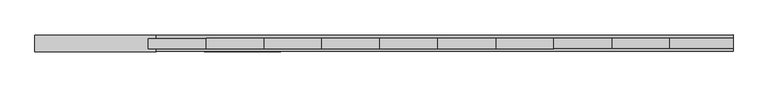
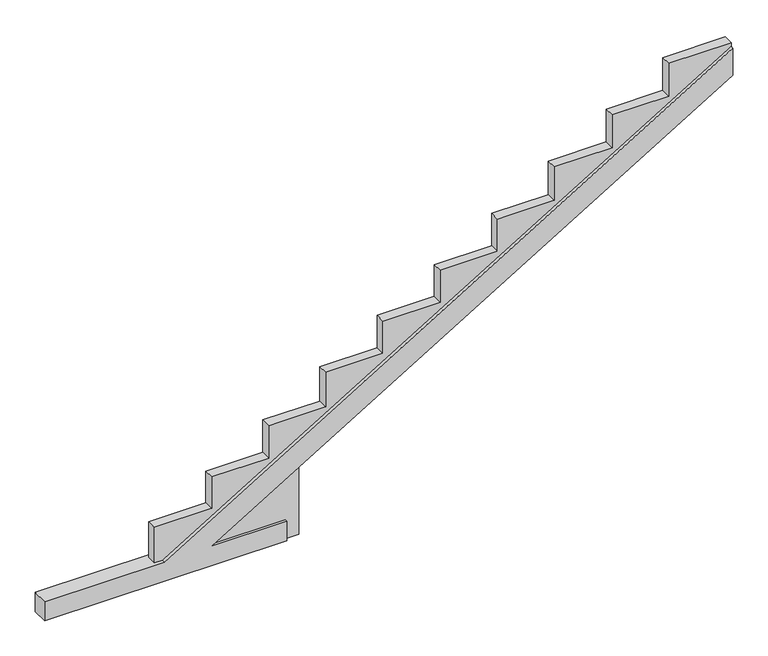
"""IFC4 building model written with IfcOpenShell, lengths in millimetres: beam geometry."""

from ifc_helpers import new_model, si_unit, origin, place, context, project, spatial, faceted_brep, source, transform, mapped, element, save


def beam_937d8002(model_context):
    return source(origin(), model_context, "Body", "Brep", [
        faceted_brep([(116653.6075541, 85898.5286699, -259.125), (116653.6075541, 85898.5286699, -21.849136), (115773.3392338, 85898.1474183, -21.849136), (121843.7431315, 85900.7765612, 3648.1234509), (121843.7431315, 85900.7765612, 3980.5418954), (115223.4947396, 85897.909276, -21.849136), (113832.5688043, 85897.3068543, -21.849136), (113832.5688043, 85897.3068543, -259.125), (116653.5253284, 86088.3787737, -259.125), (113832.4865786, 86087.1569582, -259.125), (113832.4865786, 86087.1569582, -21.849136), (115223.4125139, 86087.7593799, -21.849136), (121843.6609058, 86090.6266651, 3980.5418954), (121843.6609058, 86090.6266651, 3648.1234509), (115773.2570081, 86087.9975221, -21.849136), (116653.5253284, 86088.3787737, -21.849136), (116653.5417405, 86050.485082, -259.125), (116809.3879666, 86050.5525803, -259.125), (116809.4386986, 85933.4179511, -259.125), (116653.5924725, 85933.3504528, -259.125), (113832.5537227, 85932.1286372, -21.849136), (113832.5029907, 86049.2632664, -21.849136), (115223.479658, 85932.7310589, -21.849136), (115131.4917806, 85932.6912182, -21.849136), (115131.4410486, 86049.8258474, -21.849136), (115223.428926, 86049.8656881, -21.849136), (121843.7280499, 85935.5983441, 3980.5418954), (121843.6773179, 86052.7329733, 3980.5418954), (121843.6773179, 86052.7329733, 4027.5116193), (121843.7280499, 85935.5983441, 4027.5116193), (115773.3241522, 85932.9692012, -21.849136), (116809.4386986, 85933.4179511, 604.5526729), (116809.3879666, 86050.5525803, 604.5526729), (115773.2734202, 86050.1038304, -21.849136), (116653.5924725, 85933.3504528, -21.849136), (116653.5417405, 86050.485082, -21.849136), (121115.6713381, 85935.2830166, 4027.5116193), (121115.6713381, 85935.2830166, 3622.5728422), (120458.9007327, 85934.9985638, 3622.5728422), (120458.9007327, 85934.9985638, 3218.8243174), (119783.8060671, 85934.7061746, 3218.8243174), (119783.8060671, 85934.7061746, 2808.3745723), (119123.7369893, 85934.4202931, 2808.3745723), (119123.7369893, 85934.4202931, 2412.9766577), (118455.2914004, 85934.1307837, 2412.9766577), (118455.2914004, 85934.1307837, 2022.5269125), (117790.196416, 85933.8427255, 2022.5269125), (117790.196416, 85933.8427255, 1623.804303), (117125.1274977, 85933.5546785, 1623.804303), (117125.1274977, 85933.5546785, 1200.0557782), (116461.6817494, 85933.2673346, 1200.0557782), (116461.6817494, 85933.2673346, 802.9825585), (115796.586765, 85932.9792764, 802.9825585), (115796.586765, 85932.9792764, 416.0129997), (115131.4917806, 85932.6912182, 416.0129997), (115131.4410486, 86049.8258474, 416.0129997), (115796.536033, 86050.1139056, 416.0129997), (115796.536033, 86050.1139056, 802.9825585), (116461.6310174, 86050.4019638, 802.9825585), (116461.6310174, 86050.4019638, 1200.0557782), (117125.0767657, 86050.6893077, 1200.0557782), (117125.0767657, 86050.6893077, 1623.804303), (117790.145684, 86050.9773547, 1623.804303), (117790.145684, 86050.9773547, 2022.5269125), (118455.2406684, 86051.2654129, 2022.5269125), (118455.2406684, 86051.2654129, 2412.9766577), (119123.6862573, 86051.5549223, 2412.9766577), (119123.6862573, 86051.5549223, 2808.3745723), (119783.7553351, 86051.8408038, 2808.3745723), (119783.7553351, 86051.8408038, 3218.8243174), (120458.8500007, 86052.133193, 3218.8243174), (120458.8500007, 86052.133193, 3622.5728422), (121115.6206061, 86052.4176458, 3622.5728422), (121115.6206061, 86052.4176458, 4027.5116193)], [[[0, 1, 2, 3, 4, 5, 6, 7]], [[8, 9, 10, 11, 12, 13, 14, 15]], [[0, 7, 9, 8, 16, 17, 18, 19]], [[9, 7, 6, 20, 21, 10]], [[6, 5, 22, 23, 24, 25, 11, 10, 21, 20]], [[5, 4, 26, 22]], [[12, 11, 25, 27]], [[4, 3, 13, 12, 27, 28, 29, 26]], [[3, 2, 30, 31, 32, 33, 14, 13]], [[2, 1, 34, 30]], [[15, 14, 33, 35]], [[1, 0, 19, 34]], [[8, 15, 35, 16]], [[19, 18, 31, 30, 34]], [[29, 36, 37, 38, 39, 40, 41, 42, 43, 44, 45, 46, 47, 48, 49, 50, 51, 52, 53, 54, 23, 22, 26]], [[17, 16, 35, 33, 32]], [[24, 55, 56, 57, 58, 59, 60, 61, 62, 63, 64, 65, 66, 67, 68, 69, 70, 71, 72, 73, 28, 27, 25]], [[18, 17, 32, 31]], [[23, 54, 55, 24]], [[54, 53, 56, 55]], [[53, 52, 57, 56]], [[52, 51, 58, 57]], [[51, 50, 59, 58]], [[50, 49, 60, 59]], [[49, 48, 61, 60]], [[48, 47, 62, 61]], [[47, 46, 63, 62]], [[46, 45, 64, 63]], [[45, 44, 65, 64]], [[44, 43, 66, 65]], [[43, 42, 67, 66]], [[42, 41, 68, 67]], [[41, 40, 69, 68]], [[40, 39, 70, 69]], [[39, 38, 71, 70]], [[38, 37, 72, 71]], [[37, 36, 73, 72]], [[36, 29, 28, 73]]]),
    ])


if __name__ == "__main__":
    model = new_model("IFC4")
    model_context = context("Model", 3, world=origin())
    ifc_project = project(units=[si_unit("LENGTHUNIT", "METRE", prefix="MILLI")], contexts=[model_context])
    site = spatial("IfcSite", under=ifc_project)
    building = spatial("IfcBuilding", under=site)
    placement = place(None, origin())
    beam_shape = beam_937d8002(model_context)
    element("IfcBeam", 1, at=placement, inside=building, context=model_context, shape_type="MappedRepresentation", body=[
        mapped(beam_shape, transform((0.0, 0.0, 0.0), x_axis=(1.0, 0.0, 0.0), y_axis=(0.0, 1.0, 0.0), z_axis=(0.0, 0.0, 1.0))),
    ])
    save(model, "model.ifc")
